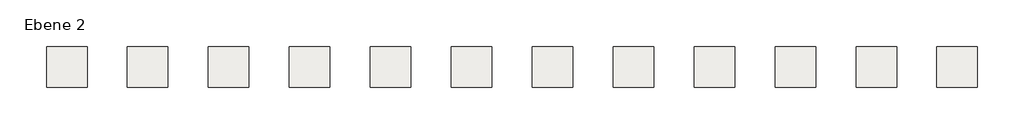
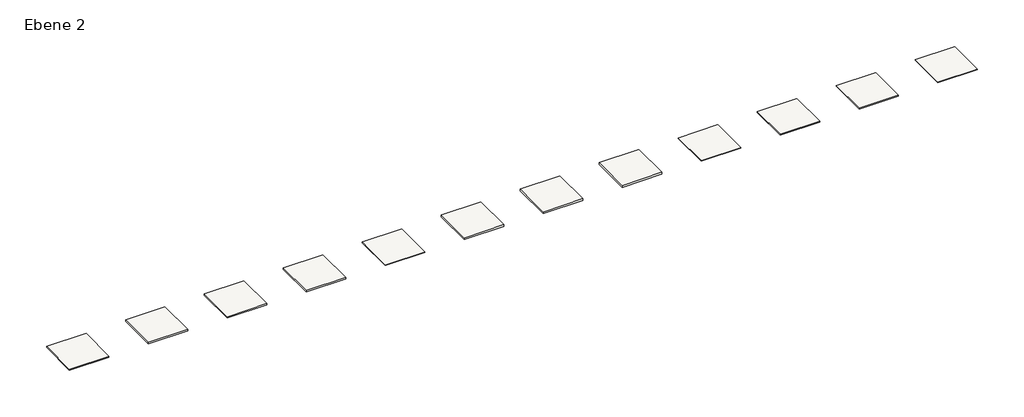
# One storey: 12 coverings.
"""IFC4 building model written with IfcOpenShell, lengths in millimetres."""

from ifc_helpers import new_model, si_unit, frame, origin, place, context, project, spatial, polyline, outline, extrude, element, save

model = new_model("IFC4")

# Units and contexts
model_context = context("Model", 3, world=origin())
ifc_project = project(units=[si_unit("LENGTHUNIT", "METRE", prefix="MILLI")], contexts=[model_context])

# Site, building, storey
site = spatial("IfcSite", under=ifc_project)
building = spatial("IfcBuilding", under=site)
storey = spatial("IfcBuildingStorey", under=building, Name="Ebene 2", Elevation=-1800.0)

# Coverings
placement = place(None, origin())
element("IfcCovering", 1, at=placement, inside=storey, context=model_context, shape_type="SweptSolid", body=[
    extrude(outline(polyline([(3800.0, -343.0665926), (1800.0, -343.0665926), (1800.0, 1656.9334074), (3800.0, 1656.9334074), (3800.0, -343.0665926)])), frame((0.0, 0.0, -1800.0), z_axis=(0.0, 0.0, 1.0), x_axis=(1.0, 0.0, 0.0)), (0.0, 0.0, 1.0), 79.0),
])
element("IfcCovering", 2, at=placement, inside=storey, context=model_context, shape_type="SweptSolid", body=[
    extrude(outline(polyline([(7800.0, -343.0665926), (5800.0, -343.0665926), (5800.0, 1656.9334074), (7800.0, 1656.9334074), (7800.0, -343.0665926)])), frame((0.0, 0.0, -1800.0), z_axis=(0.0, 0.0, 1.0), x_axis=(1.0, 0.0, 0.0)), (0.0, 0.0, 1.0), 69.0),
])
element("IfcCovering", 3, at=placement, inside=storey, context=model_context, shape_type="SweptSolid", body=[
    extrude(outline(polyline([(11800.0, -343.0665926), (9800.0, -343.0665926), (9800.0, 1656.9334074), (11800.0, 1656.9334074), (11800.0, -343.0665926)])), frame((0.0, 0.0, -1800.0), z_axis=(0.0, 0.0, 1.0), x_axis=(1.0, 0.0, 0.0)), (0.0, 0.0, 1.0), 69.0),
])
element("IfcCovering", 4, at=placement, inside=storey, context=model_context, shape_type="SweptSolid", body=[
    extrude(outline(polyline([(15800.0, -343.0665926), (13800.0, -343.0665926), (13800.0, 1656.9334074), (15800.0, 1656.9334074), (15800.0, -343.0665926)])), frame((0.0, 0.0, -1800.0), z_axis=(0.0, 0.0, 1.0), x_axis=(1.0, 0.0, 0.0)), (0.0, 0.0, 1.0), 49.0),
])
element("IfcCovering", 5, at=placement, inside=storey, context=model_context, shape_type="SweptSolid", body=[
    extrude(outline(polyline([(19800.0, -343.0665926), (17800.0, -343.0665926), (17800.0, 1656.9334074), (19800.0, 1656.9334074), (19800.0, -343.0665926)])), frame((0.0, 0.0, -1800.0), z_axis=(0.0, 0.0, 1.0), x_axis=(1.0, 0.0, 0.0)), (0.0, 0.0, 1.0), 99.0),
])
element("IfcCovering", 6, at=placement, inside=storey, context=model_context, shape_type="SweptSolid", body=[
    extrude(outline(polyline([(23800.0, -343.0665926), (21800.0, -343.0665926), (21800.0, 1656.9334074), (23800.0, 1656.9334074), (23800.0, -343.0665926)])), frame((0.0, 0.0, -1800.0), z_axis=(0.0, 0.0, 1.0), x_axis=(1.0, 0.0, 0.0)), (0.0, 0.0, 1.0), 89.0),
])
element("IfcCovering", 7, at=placement, inside=storey, context=model_context, shape_type="SweptSolid", body=[
    extrude(outline(polyline([(-200.0, -343.0665926), (-2200.0, -343.0665926), (-2200.0, 1656.9334074), (-200.0, 1656.9334074), (-200.0, -343.0665926)])), frame((0.0, 0.0, -1800.0), z_axis=(0.0, 0.0, 1.0), x_axis=(1.0, 0.0, 0.0)), (0.0, 0.0, 1.0), 52.0),
])
element("IfcCovering", 8, at=placement, inside=storey, context=model_context, shape_type="SweptSolid", body=[
    extrude(outline(polyline([(27800.0, -343.0665926), (25800.0, -343.0665926), (25800.0, 1656.9334074), (27800.0, 1656.9334074), (27800.0, -343.0665926)])), frame((0.0, 0.0, -1800.0), z_axis=(0.0, 0.0, 1.0), x_axis=(1.0, 0.0, 0.0)), (0.0, 0.0, 1.0), 107.0),
])
element("IfcCovering", 9, at=placement, inside=storey, context=model_context, shape_type="SweptSolid", body=[
    extrude(outline(polyline([(31800.0, -343.0665926), (29800.0, -343.0665926), (29800.0, 1656.9334074), (31800.0, 1656.9334074), (31800.0, -343.0665926)])), frame((0.0, 0.0, -1800.0), z_axis=(0.0, 0.0, 1.0), x_axis=(1.0, 0.0, 0.0)), (0.0, 0.0, 1.0), 39.0),
])
element("IfcCovering", 10, at=placement, inside=storey, context=model_context, shape_type="SweptSolid", body=[
    extrude(outline(polyline([(35800.0, -343.0665926), (33800.0, -343.0665926), (33800.0, 1656.9334074), (35800.0, 1656.9334074), (35800.0, -343.0665926)])), frame((0.0, 0.0, -1800.0), z_axis=(0.0, 0.0, 1.0), x_axis=(1.0, 0.0, 0.0)), (0.0, 0.0, 1.0), 52.0),
])
element("IfcCovering", 11, at=placement, inside=storey, context=model_context, shape_type="SweptSolid", body=[
    extrude(outline(polyline([(39800.0, -343.0665926), (37800.0, -343.0665926), (37800.0, 1656.9334074), (39800.0, 1656.9334074), (39800.0, -343.0665926)])), frame((0.0, 0.0, -1800.0), z_axis=(0.0, 0.0, 1.0), x_axis=(1.0, 0.0, 0.0)), (0.0, 0.0, 1.0), 40.0),
])
element("IfcCovering", 12, at=placement, inside=storey, context=model_context, shape_type="SweptSolid", body=[
    extrude(outline(polyline([(43800.0, -343.0665926), (41800.0, -343.0665926), (41800.0, 1656.9334074), (43800.0, 1656.9334074), (43800.0, -343.0665926)])), frame((0.0, 0.0, -1800.0), z_axis=(0.0, 0.0, 1.0), x_axis=(1.0, 0.0, 0.0)), (0.0, 0.0, 1.0), 36.5),
])

save(model, "model.ifc")
